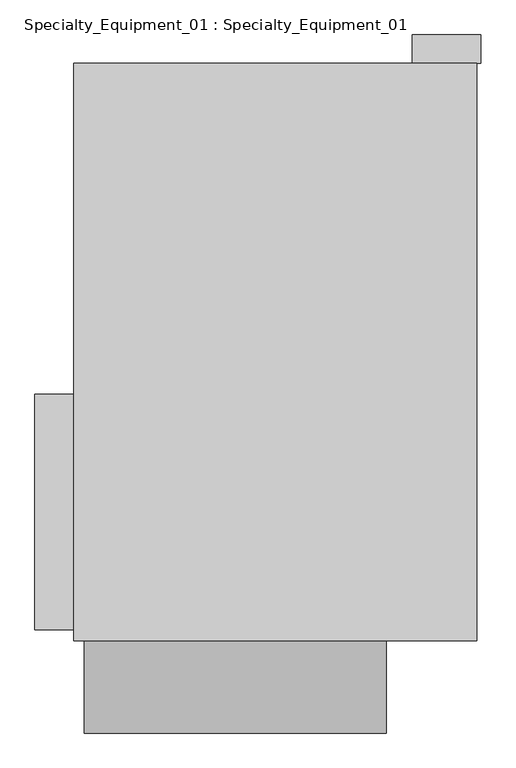
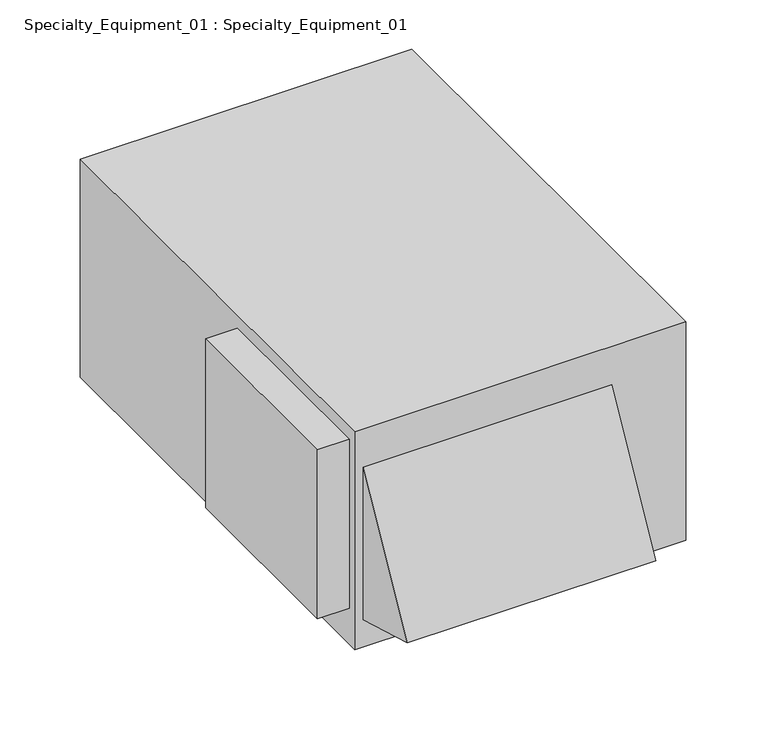
"""IFC4 building model written with IfcOpenShell, lengths in millimetres: proxy geometry, Specialty_Equipment_01 : Specialty_Equipment_01."""

import ifcopenshell
import ifcopenshell.guid

model = None  # the IFC model being written
_history = None  # IfcOwnerHistory: only IFC2X3 demands one
_inside = {}  # id of a spatial element -> (the spatial element, [elements in it])
_under = {}  # id of a project, library or spatial element -> (it, [spatial elements below it])
_declared = {}  # id of a project -> (the project, [libraries it declares])
_typed = {}  # id of a type object -> (the type object, [elements of that type])
_made_of = {}  # id of a material, layer set ... -> (it, [elements and type objects made of it])


def new_model(schema):
    """Start an empty IFC model of exactly this schema.

    Asked for "IFC4X3", IfcOpenShell would pick the latest addendum, in which some entities
    have other attributes; the version numbers below select the first issue.
    IFC2X3 requires an IfcOwnerHistory on every rooted entity: one is made here for all.
    """
    global model, _history
    if schema == "IFC4X3":
        model = ifcopenshell.file(schema_version=(4, 3, 0, 0))
    else:
        model = ifcopenshell.file(schema=schema)
    _inside.clear()
    _under.clear()
    _declared.clear()
    _typed.clear()
    _made_of.clear()
    _history = None
    if model.schema == "IFC2X3":
        org = make("IfcOrganization", Name="unknown")
        user = make(
            "IfcPersonAndOrganization",
            ThePerson=make("IfcPerson", FamilyName="unknown"),
            TheOrganization=org,
        )
        app = make(
            "IfcApplication",
            ApplicationDeveloper=org,
            Version="unknown",
            ApplicationFullName="unknown",
            ApplicationIdentifier="unknown",
        )
        _history = make(
            "IfcOwnerHistory",
            OwningUser=user,
            OwningApplication=app,
            ChangeAction="ADDED",
            CreationDate=0,
        )
    return model


def make(cls, **values):
    """One entity of the class cls with the attributes given. An attribute that is None is left unset."""
    return model.create_entity(
        cls, **{name: value for name, value in values.items() if value is not None}
    )


def rooted(cls, **values):
    """An entity with a GlobalId (a new one), such as an element, a storey or a relation."""
    return make(cls, GlobalId=ifcopenshell.guid.new(), OwnerHistory=_history, **values)


def si_unit(unit_type, name, prefix=None):
    """IfcSIUnit, for example si_unit("LENGTHUNIT", "METRE", prefix="MILLI")."""
    return make("IfcSIUnit", UnitType=unit_type, Prefix=prefix, Name=name)


def assignment(units):
    """IfcUnitAssignment: the units of a project."""
    return None if units is None else make("IfcUnitAssignment", Units=units)


def point(xyz):
    """IfcCartesianPoint."""
    return None if xyz is None else make("IfcCartesianPoint", Coordinates=xyz)


def direction(xyz):
    """IfcDirection."""
    return None if xyz is None else make("IfcDirection", DirectionRatios=xyz)


def frame(location, z_axis=None, x_axis=None):
    """IfcAxis2Placement3D, a coordinate frame: its origin and axes. An axis left out is left unset."""
    return make(
        "IfcAxis2Placement3D",
        Location=point(location),
        Axis=direction(z_axis),
        RefDirection=direction(x_axis),
    )


def origin():
    """The frame at (0, 0, 0) with its axes left unset."""
    return frame((0.0, 0.0, 0.0))


def place(relative_to, where):
    """IfcLocalPlacement: puts the frame where relative to a parent placement (None: the world)."""
    return make(
        "IfcLocalPlacement", PlacementRelTo=relative_to, RelativePlacement=where
    )


def context(
    kind, dimensions, precision=None, world=None, true_north=None, identifier=None
):
    """IfcGeometricRepresentationContext, for example the 3D "Model" context."""
    return make(
        "IfcGeometricRepresentationContext",
        ContextIdentifier=identifier,
        ContextType=kind,
        CoordinateSpaceDimension=dimensions,
        Precision=precision,
        WorldCoordinateSystem=world,
        TrueNorth=true_north,
    )


def project(units=None, contexts=None):
    """IfcProject with its units and contexts."""
    return rooted(
        "IfcProject",
        Name="project",
        RepresentationContexts=contexts,
        UnitsInContext=assignment(units),
    )


def spatial(cls, under=None, at=None, **own):
    """A site, building, storey or space (cls), placed at a placement, below another one or the project."""
    s = rooted(cls, ObjectPlacement=at, **own)
    if under is not None:
        _under.setdefault(under.id(), (under, []))[1].append(s)
    return s


def faces_of(points, faces, orient=None, outer=None):
    """IfcFace entities. A face is a list of loops; a loop is a list of indices into points, from 0.

    orient and outer hold one flag for each loop. By default every Orientation is true, the
    first loop of a face is its IfcFaceOuterBound and the others are IfcFaceBound.
    """
    made = []
    for i, loops in enumerate(faces):
        bounds = []
        for j, loop in enumerate(loops):
            is_outer = j == 0 if outer is None else outer[i][j]
            bounds.append(
                make(
                    "IfcFaceOuterBound" if is_outer else "IfcFaceBound",
                    Bound=make("IfcPolyLoop", Polygon=[points[k] for k in loop]),
                    Orientation=True if orient is None else orient[i][j],
                )
            )
        made.append(make("IfcFace", Bounds=bounds))
    return made


def faceted_brep(points, faces, orient=None, outer=None, voids=None):
    """IfcFacetedBrep: a solid bounded by flat faces; with voids (closed shells), ...WithVoids."""
    shared = [point(p) for p in points]
    hull = make("IfcClosedShell", CfsFaces=faces_of(shared, faces, orient, outer))
    if voids is None:
        return make("IfcFacetedBrep", Outer=hull)
    return make(
        "IfcFacetedBrepWithVoids",
        Outer=hull,
        Voids=[
            make(cls, CfsFaces=faces_of(shared, fs, o, b)) for cls, fs, o, b in voids
        ],
    )


def shape(context_of_items, identifier, shape_type, items):
    """IfcShapeRepresentation: the items that make up one representation, for example the "Body"."""
    return make(
        "IfcShapeRepresentation",
        ContextOfItems=context_of_items,
        RepresentationIdentifier=identifier,
        RepresentationType=shape_type,
        Items=items,
    )


def source(mapping_origin, context_of_items, identifier, shape_type, items):
    """IfcRepresentationMap: a shape defined once, which mapped items show again and again."""
    return make(
        "IfcRepresentationMap",
        MappingOrigin=mapping_origin,
        MappedRepresentation=shape(context_of_items, identifier, shape_type, items),
    )


def transform(
    local_origin,
    x_axis=None,
    y_axis=None,
    z_axis=None,
    scale=None,
    scale2=None,
    scale3=None,
    uniform=True,
):
    """IfcCartesianTransformationOperator3D, or its non-uniform kind. x_axis, y_axis, z_axis: its Axis1, 2, 3."""
    if uniform:
        return make(
            "IfcCartesianTransformationOperator3D",
            Axis1=direction(x_axis),
            Axis2=direction(y_axis),
            LocalOrigin=point(local_origin),
            Scale=scale,
            Axis3=direction(z_axis),
        )
    return make(
        "IfcCartesianTransformationOperator3DnonUniform",
        Axis1=direction(x_axis),
        Axis2=direction(y_axis),
        LocalOrigin=point(local_origin),
        Scale=scale,
        Axis3=direction(z_axis),
        Scale2=scale2,
        Scale3=scale3,
    )


def mapped(mapping_source, mapping_target):
    """IfcMappedItem: shows the shape of a source again, moved by a transform."""
    return make(
        "IfcMappedItem", MappingSource=mapping_source, MappingTarget=mapping_target
    )


def made_of(thing, what):
    """Note that an element or type object is made of a material, layer set ...; save() writes the relation."""
    if what is not None:
        _made_of.setdefault(what.id(), (what, []))[1].append(thing)
    return thing


def element(
    cls,
    number,
    at=None,
    inside=None,
    cuts=None,
    type_object=None,
    material=None,
    context=None,
    identifier="Body",
    shape_type=None,
    held_by="IfcProductDefinitionShape",
    body=None,
    shapes=None,
    **own,
):
    """One element of the class cls, such as IfcWall. Its Tag is "e" and its number.

    at: its placement. inside: the storey or other place that contains it. cuts: it is an
    opening in that element (IfcRelVoidsElement). A single representation is given by context,
    identifier, shape_type and body (its items); several are given by shapes. held_by: the class
    of the entity that holds the representations. save() writes the other relations.
    """
    e = rooted(cls, Tag="e%d" % number, ObjectPlacement=at, **own)
    if body is not None:
        shapes = [shape(context, identifier, shape_type, body)]
    if shapes is not None:
        e.Representation = make(held_by, Representations=shapes)
    if inside is not None:
        _inside.setdefault(inside.id(), (inside, []))[1].append(e)
    if cuts is not None:
        rooted(
            "IfcRelVoidsElement", RelatingBuildingElement=cuts, RelatedOpeningElement=e
        )
    if type_object is not None:
        _typed.setdefault(type_object.id(), (type_object, []))[1].append(e)
    return made_of(e, material)


def aggregate(whole, parts):
    """IfcRelAggregates: a whole, such as a stair, and the parts it consists of."""
    return rooted("IfcRelAggregates", RelatingObject=whole, RelatedObjects=parts)


def save(model, path):
    """Write the relations noted so far, then the file.

    IfcRelAggregates (storeys below a building ...), IfcRelContainedInSpatialStructure (elements
    in a storey), IfcRelDefinesByType, IfcRelAssociatesMaterial and IfcRelDeclares: one each for
    every whole, place, type object, material and project.
    """
    for whole, parts in _under.values():
        aggregate(whole, parts)
    for where, things in _inside.values():
        rooted(
            "IfcRelContainedInSpatialStructure",
            RelatedElements=things,
            RelatingStructure=where,
        )
    for kind, things in _typed.values():
        rooted("IfcRelDefinesByType", RelatedObjects=things, RelatingType=kind)
    for what, things in _made_of.values():
        rooted("IfcRelAssociatesMaterial", RelatedObjects=things, RelatingMaterial=what)
    for by, libraries in _declared.values():
        rooted("IfcRelDeclares", RelatingContext=by, RelatedDefinitions=libraries)
    model.write(path)


def specialty_equipment_01_specialty_equipment_01_89581ce1(model_context):
    return source(origin(), model_context, "Body", "Brep", [
        faceted_brep([(1215.423827, 1671.3598096, 1592.3377247), (1215.423827, -1433.7901904, 1592.3377247), (1215.423827, -1433.7901904, 84.0588882), (1215.423827, 1671.3598096, 84.0588882), (1215.423827, 1671.3598096, 653.8603698), (1215.423827, 1671.3598096, 1161.8603698), (-950.9087528, 1671.3598096, 84.0588882), (-950.9087528, -1433.7901904, 84.0588882), (-950.9087528, -1433.7901904, 1592.3377247), (-950.9087528, 1671.3598096, 1592.3377247), (-950.9087528, -1373.9522317, 1502.7053702), (-950.9087528, -1373.9522317, 334.3053702), (-950.9087528, -108.5307084, 334.3053702), (-950.9087528, -108.5307084, 1502.7053702), (870.1270782, 1671.3598096, 1161.8603698), (870.1270782, 1671.3598096, 653.8603698), (730.0107202, -1433.7901904, 1326.6855422), (730.0107202, -1433.7901904, 271.0843571), (-893.0885977, -1433.7901904, 271.0843571), (-893.0885977, -1433.7901904, 1326.6855422), (1237.040718, 1823.7598096, 1161.8603698), (1237.040718, 1671.3598096, 1161.8603698), (1237.040718, 1671.3598096, 653.8603698), (1237.040718, 1823.7598096, 653.8603698), (870.1270782, 1823.7598096, 1161.8603698), (870.1270782, 1823.7598096, 653.8603698), (730.0107202, -1929.9041265, 413.342739), (-893.0885977, -1929.9041265, 413.342739), (-1159.476173, -1373.9522317, 1502.7053702), (-1159.476173, -1373.9522317, 334.3053702), (-1159.476173, -108.5307084, 1502.7053702), (-1159.476173, -108.5307084, 334.3053702)], [[[0, 1, 2, 3, 4, 5]], [[6, 7, 8, 9], [10, 11, 12, 13]], [[6, 9, 0, 5, 14, 15, 4, 3]], [[1, 0, 9, 8]], [[2, 1, 8, 7], [16, 17, 18, 19]], [[3, 2, 7, 6]], [[20, 21, 22, 23]], [[24, 25, 15, 14]], [[21, 20, 24, 14, 5]], [[22, 21, 5, 4]], [[23, 22, 4, 15, 25]], [[20, 23, 25, 24]], [[26, 17, 16]], [[27, 19, 18]], [[17, 26, 27, 18]], [[26, 16, 19, 27]], [[28, 29, 11, 10]], [[30, 13, 12, 31]], [[29, 28, 30, 31]], [[11, 29, 31, 12]], [[28, 10, 13, 30]]]),
    ])


if __name__ == "__main__":
    model = new_model("IFC4")
    model_context = context("Model", 3, world=origin())
    ifc_project = project(units=[si_unit("LENGTHUNIT", "METRE", prefix="MILLI")], contexts=[model_context])
    site = spatial("IfcSite", under=ifc_project)
    building = spatial("IfcBuilding", under=site)
    placement = place(None, origin())
    specialty_equipment_01_specialty_equipment_01_shape = specialty_equipment_01_specialty_equipment_01_89581ce1(model_context)
    element("IfcBuildingElementProxy", 1, Name="Specialty_Equipment_01 : Specialty_Equipment_01", ObjectType="Specialty_Equipment_01 : Specialty_Equipment_01", at=placement, inside=building, context=model_context, shape_type="MappedRepresentation", body=[
        mapped(specialty_equipment_01_specialty_equipment_01_shape, transform((0.0, 0.0, 0.0), x_axis=(1.0, 0.0, 0.0), y_axis=(0.0, 1.0, 0.0), z_axis=(0.0, 0.0, 1.0))),
    ])
    save(model, "model.ifc")
